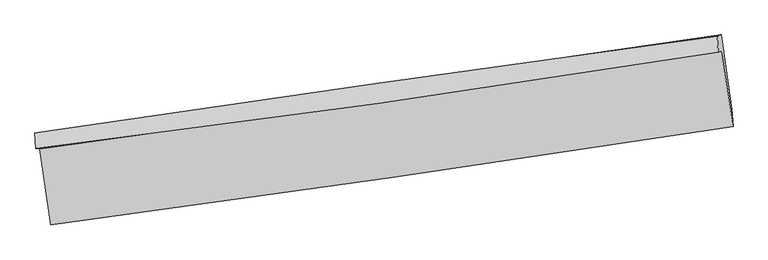
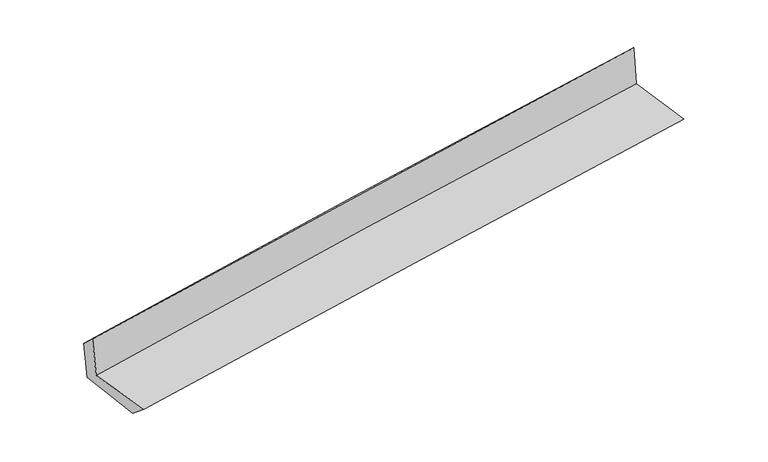
"""IFC4 building model written with IfcOpenShell, lengths in millimetres: proxy geometry."""

from ifc_helpers import new_model, si_unit, frame, origin, place, context, project, spatial, source, transform, mapped, element, save
from ifc_brep_helpers import plane_surface, spline_curve, spline_surface, advanced_brep


def generic_models_1847fb9d(model_context):
    return source(origin(), model_context, "Body", "AdvancedBrep", [
        advanced_brep(
        [(-2996.419135, -1927.4284808, 1632.1222652), (-2900.3980963, -2592.2273457, 1642.2884867), (3047.5388848, -1733.1801245, 2137.4187604), (2950.2502658, -1071.2909067, 2147.1450206), (-3031.0910568, -1922.1862166, 2030.8595042), (2917.5004332, -1082.0344426, 2550.6757195), (-3040.3239102, -1786.2093044, 1906.3983229), (2908.3684853, -942.055759, 2418.1698063), (-3007.9871555, -1790.8117253, 1534.0247207), (2942.3312746, -930.9143143, 1999.693526), (-2912.9880914, -2423.9400731, 1501.9325604), (3037.3844457, -1577.5949815, 1990.1907507)],
        [
            (0, 1),
            (1, 2, spline_curve(3, [(-2900.3980963, -2592.2273457, 1642.2884867), (-1909.145989925, -2456.961326522, 1739.138131275), (-917.856156934, -2317.740687911, 1828.823972386), (1064.789503932, -2031.391539001, 1993.867260542), (2056.145331688, -1884.263103596, 2069.224843949), (3047.5388848, -1733.1801245, 2137.4187604)], [4, 2, 4], [0.0, 9.892243662414556, 19.784392951456308])),
            (2, 3),
            (3, 0, spline_curve(3, [(2950.2502658, -1071.2909067, 2147.1450206), (1958.446673868, -1221.506460701, 2082.286342852), (966.991456754, -1367.958713127, 2006.938695777), (-1015.231683341, -1653.337976358, 1835.264643922), (-2005.99959975, -1792.26491526, 1738.938039264), (-2996.419135, -1927.4284808, 1632.1222652)], [4, 2, 4], [0.0, 9.892149289041752, 19.784392951456308])),
            (4, 0),
            (3, 5),
            (5, 4, spline_curve(3, [(2917.5004332, -1082.0344426, 2550.6757195), (1926.946771413, -1241.222830613, 2486.496037161), (935.956349674, -1390.829383943, 2411.088438225), (-1046.907471716, -1670.880158325, 2237.816580652), (-2038.78088029, -1801.324196073, 2139.952108011), (-3031.0910568, -1922.1862166, 2030.8595042)], [4, 2, 4], [0.0, 9.89266879159441, 19.785431961517798])),
            (6, 4),
            (5, 7),
            (7, 6, spline_curve(3, [(2908.3684853, -942.055759, 2418.1698063), (1915.575284438, -1078.709001301, 2341.705571215), (923.456679185, -1217.381405864, 2260.826054846), (-1059.440799188, -1498.765882766, 2090.235644422), (-2050.21965875, -1641.477993021, 2000.524666569), (-3040.3239102, -1786.2093044, 1906.3983229)], [4, 2, 4], [0.0, 9.892207869459906, 19.784510112851486])),
            (8, 6),
            (7, 9),
            (9, 8, spline_curve(3, [(2942.3312746, -930.9143143, 1999.693526), (1949.565621441, -1075.559112425, 1936.601087965), (957.325288534, -1219.539290588, 1866.24935486), (-1026.114198123, -1506.171773675, 1711.026558513), (-2017.313341917, -1648.824065879, 1626.155356341), (-3007.9871555, -1790.8117253, 1534.0247207)], [4, 2, 4], [0.0, 9.891924493283982, 19.783943357796165])),
            (10, 8),
            (9, 11),
            (11, 10, spline_curve(3, [(3037.3844457, -1577.5949815, 1990.1907507), (2045.581750446, -1722.061634744, 1915.469197002), (1053.818389982, -1864.823390577, 1837.420447498), (-929.639123457, -2146.938453538, 1674.667780957), (-1921.333274954, -2286.291728227, 1589.963800366), (-2912.9880914, -2423.9400731, 1501.9325604)], [4, 2, 4], [0.0, 9.891967849197211, 19.78403007003625])),
            (1, 10),
            (11, 2),
        ],
        [
            spline_surface(3, 3, [[(-2996.419135, -1927.4284808, 1632.1222652), (-2005.999599877, -1792.264915256, 1738.938039287), (-1015.231683411, -1653.33797633, 1835.264644013), (966.991456824, -1367.958713155, 2006.938695686), (1958.446673982, -1221.506460719, 2082.286342744), (2950.2502658, -1071.2909067, 2147.1450206)], [(-2964.412122113, -2149.028102435, 1635.511005682), (-1973.71506322, -2013.830385657, 1739.004736642), (-982.773174628, -1874.805546896, 1833.11775352), (999.590805895, -1589.102988384, 2002.581550593), (1991.01289319, -1442.425341664, 2077.932509752), (2982.679805476, -1291.920645974, 2143.902933836)], [(-2932.405109187, -2370.627724065, 1638.899746218), (-1941.430526522, -2235.395856055, 1739.071434051), (-950.314665833, -2096.273117483, 1830.97086302), (1032.190154977, -1810.247263634, 1998.224405494), (2023.57911237, -1663.344222586, 2073.578676851), (3015.109345124, -1512.550385226, 2140.660847164)], [(-2900.3980963, -2592.2273457, 1642.2884867), (-1909.145989864, -2456.961326456, 1739.138131407), (-917.85615705, -2317.740688048, 1828.823972527), (1064.789504048, -2031.391538864, 1993.867260402), (2056.145331578, -1884.263103531, 2069.224843858), (3047.5388848, -1733.1801245, 2137.4187604)]], [4, 4], [4, 2, 4], [0.0, 2.201844886404609], [0.0, 9.892243662414556, 19.784392951456308]),
            spline_surface(3, 3, [[(-3031.0910568, -1922.1862166, 2030.8595042), (-2038.780880174, -1801.324196011, 2139.952107874), (-1046.907471861, -1670.880158213, 2237.816580674), (935.956349818, -1390.829384055, 2411.088438204), (1926.94677148, -1241.222830515, 2486.496037174), (2917.5004332, -1082.0344426, 2550.6757195)], [(-3019.533749533, -1923.933637996, 1897.947091211), (-2027.853786741, -1798.304435755, 2006.280751689), (-1036.348875721, -1665.032764261, 2103.632601768), (946.301385477, -1383.205827098, 2276.371857346), (1937.446738957, -1234.65070724, 2351.759472385), (2928.417044043, -1078.453263957, 2416.165486554)], [(-3007.976442267, -1925.681059404, 1765.034678189), (-2016.92669331, -1795.284675512, 1872.609395471), (-1025.790279551, -1659.185370282, 1969.448622919), (956.646421165, -1375.582270113, 2141.655276544), (1947.946706505, -1228.078583994, 2217.022907534), (2939.333654957, -1074.872085343, 2281.655253546)], [(-2996.419135, -1927.4284808, 1632.1222652), (-2005.999599877, -1792.264915256, 1738.938039287), (-1015.231683411, -1653.33797633, 1835.264644013), (966.991456824, -1367.958713155, 2006.938695686), (1958.446673982, -1221.506460719, 2082.286342744), (2950.2502658, -1071.2909067, 2147.1450206)]], [4, 4], [4, 2, 4], [0.0, 1.3289765052814233], [0.0, 9.892763169923388, 19.785431961517798]),
            spline_surface(3, 3, [[(-3040.3239102, -1786.2093044, 1906.3983229), (-2050.219658844, -1641.477993019, 2000.524666654), (-1059.440799024, -1498.765882611, 2090.235644516), (923.456679021, -1217.381406019, 2260.826054752), (1915.575284355, -1078.709001265, 2341.705571327), (2908.3684853, -942.055759, 2418.1698063)], [(-3037.246292389, -1831.534941821, 1947.885383346), (-2046.40673261, -1694.760060704, 2047.000480407), (-1055.263023288, -1556.137307828, 2139.429289929), (927.623235968, -1275.197398714, 2310.913515929), (1919.365780081, -1132.880277691, 2389.969059939), (2911.412467951, -988.71532021, 2462.33844403)], [(-3034.168674611, -1876.860579179, 1989.372443754), (-2042.593806408, -1748.042128326, 2093.476294121), (-1051.085247596, -1613.508732996, 2188.622935261), (931.789792871, -1333.01339136, 2361.000977026), (1923.156275755, -1187.051554089, 2438.232548562), (2914.456450549, -1035.37488139, 2506.50708177)], [(-3031.0910568, -1922.1862166, 2030.8595042), (-2038.780880174, -1801.324196011, 2139.952107874), (-1046.907471861, -1670.880158213, 2237.816580674), (935.956349818, -1390.829384055, 2411.088438204), (1926.94677148, -1241.222830515, 2486.496037174), (2917.5004332, -1082.0344426, 2550.6757195)]], [4, 4], [4, 2, 4], [0.0, 0.7494951844656408], [0.0, 9.89230224339158, 19.784510112851486]),
            spline_surface(3, 3, [[(-3007.9871555, -1790.8117253, 1534.0247207), (-2017.313341908, -1648.82406587, 1626.155356291), (-1026.11419816, -1506.171773639, 1711.026558389), (957.325288572, -1219.539290625, 1866.249354984), (1949.565621507, -1075.559112521, 1936.601087973), (2942.3312746, -930.9143143, 1999.693526)], [(-3018.766073727, -1789.277584975, 1658.149254751), (-2028.282114214, -1646.375374895, 1750.945126397), (-1037.223065112, -1503.703143293, 1837.4295871), (946.035752058, -1218.819995753, 1997.774921576), (1938.235509127, -1076.609075425, 2071.63591575), (2931.010344837, -934.628129189, 2139.185619426)], [(-3029.544991973, -1787.743444725, 1782.273788849), (-2039.250886538, -1643.926683994, 1875.734896548), (-1048.331932072, -1501.234512957, 1963.832615805), (934.746215534, -1218.10070089, 2129.30048816), (1926.905396735, -1077.659038361, 2206.67074355), (2919.689415063, -938.341944111, 2278.677712874)], [(-3040.3239102, -1786.2093044, 1906.3983229), (-2050.219658844, -1641.477993019, 2000.524666654), (-1059.440799024, -1498.765882611, 2090.235644516), (923.456679021, -1217.381406019, 2260.826054752), (1915.575284355, -1078.709001265, 2341.705571327), (2908.3684853, -942.055759, 2418.1698063)]], [4, 4], [4, 2, 4], [0.0, 1.2742070867931907], [0.0, 9.892018864512183, 19.783943357796165]),
            spline_surface(3, 3, [[(-2912.9880914, -2423.9400731, 1501.9325604), (-1921.33327507, -2286.291728204, 1589.963800241), (-929.639123295, -2146.938453587, 1674.66778092), (1053.81838982, -1864.823390527, 1837.420447535), (2045.581750416, -1722.061634603, 1915.469196956), (3037.3844457, -1577.5949815, 1990.1907507)], [(-2944.654446106, -2212.897290506, 1512.629947152), (-1953.326630689, -2073.802507432, 1602.027652242), (-961.797481576, -1933.349560268, 1686.787373385), (1021.654022745, -1649.728690557, 1847.030083327), (2013.576374117, -1506.560793912, 1922.51316062), (3005.700055337, -1362.034759103, 1993.358342459)], [(-2976.320800794, -2001.854507894, 1523.327333948), (-1985.319986289, -1861.313286641, 1614.091504289), (-993.955839879, -1719.760666958, 1698.906965923), (989.489655647, -1434.633990595, 1856.639719192), (1981.570997806, -1291.059953212, 1929.557124309), (2974.015664963, -1146.474536697, 1996.525934241)], [(-3007.9871555, -1790.8117253, 1534.0247207), (-2017.313341908, -1648.82406587, 1626.155356291), (-1026.11419816, -1506.171773639, 1711.026558389), (957.325288572, -1219.539290625, 1866.249354984), (1949.565621507, -1075.559112521, 1936.601087973), (2942.3312746, -930.9143143, 1999.693526)]], [4, 4], [4, 2, 4], [0.0, 2.1359582141791633], [0.0, 9.892062220839037, 19.78403007003625]),
            spline_surface(3, 3, [[(-2900.3980963, -2592.2273457, 1642.2884867), (-1909.145989864, -2456.961326456, 1739.138131407), (-917.85615705, -2317.740688048, 1828.823972527), (1064.789504048, -2031.391538864, 1993.867260402), (2056.145331578, -1884.263103531, 2069.224843858), (3047.5388848, -1733.1801245, 2137.4187604)], [(-2904.594761331, -2536.131588167, 1595.503177958), (-1913.208418264, -2400.071460372, 1689.413354376), (-921.783812476, -2260.806609882, 1777.438575336), (1061.132465961, -1975.868822739, 1941.718322791), (2052.624137847, -1830.195947222, 2017.972961587), (3044.154071756, -1681.318410167, 2088.342757196)], [(-2908.791426369, -2480.035830633, 1548.717869142), (-1917.27084667, -2343.181594288, 1639.688577272), (-925.711467869, -2203.872531753, 1726.053178111), (1057.475427907, -1920.346106652, 1889.569385146), (2049.102944147, -1776.128790912, 1966.721079227), (3040.769258744, -1629.456695833, 2039.266753904)], [(-2912.9880914, -2423.9400731, 1501.9325604), (-1921.33327507, -2286.291728204, 1589.963800241), (-929.639123295, -2146.938453587, 1674.66778092), (1053.81838982, -1864.823390527, 1837.420447535), (2045.581750416, -1722.061634603, 1915.469196956), (3037.3844457, -1577.5949815, 1990.1907507)]], [4, 4], [4, 2, 4], [0.0, 0.7531846016067291], [0.0, 9.892006551150805, 19.78391873119088]),
            plane_surface(frame((2967.2289649, -1222.8450881, 2207.2155973), z_axis=(0.9860615906326616, 0.14370530879466767, 0.08385298863615163), x_axis=(-0.0808637840206164, -0.026527249206794487, 0.9963720958976059))),
            plane_surface(frame((-2981.5345742, -2073.8005243, 1707.9376433), z_axis=(-0.9860615906327365, -0.1437053087941452, -0.0838529886361657), x_axis=(-0.1429364238056463, 0.9896161677190424, -0.01513338490651866))),
        ],
        [
            (0, [[1, 2, 3, 4]]),
            (1, [[5, -4, 6, 7]]),
            (2, [[8, -7, 9, 10]]),
            (3, [[11, -10, 12, 13]]),
            (4, [[14, -13, 15, 16]]),
            (5, [[17, -16, 18, -2]]),
            (6, [[-12, -9, -6, -3, -18, -15]]),
            (7, [[-1, -5, -8, -11, -14, -17]]),
        ],
    ),
    ])


if __name__ == "__main__":
    model = new_model("IFC4")
    model_context = context("Model", 3, world=origin())
    ifc_project = project(units=[si_unit("LENGTHUNIT", "METRE", prefix="MILLI")], contexts=[model_context])
    site = spatial("IfcSite", under=ifc_project)
    building = spatial("IfcBuilding", under=site)
    placement = place(None, origin())
    generic_models_shape = generic_models_1847fb9d(model_context)
    element("IfcBuildingElementProxy", 1, Name="Generic Models", at=placement, inside=building, context=model_context, shape_type="MappedRepresentation", body=[
        mapped(generic_models_shape, transform((0.0, 0.0, 0.0), x_axis=(1.0, 0.0, 0.0), y_axis=(0.0, 1.0, 0.0), z_axis=(0.0, 0.0, 1.0))),
    ])
    save(model, "model.ifc")
